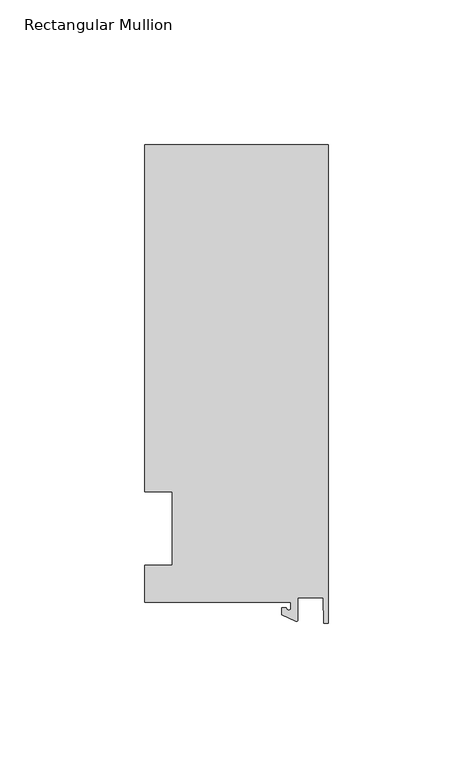
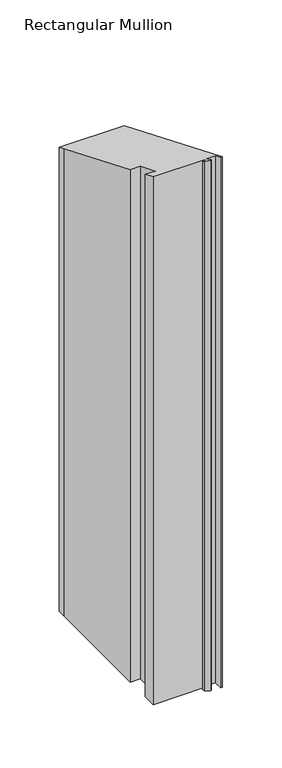
"""IFC4 building model written with IfcOpenShell, lengths in millimetres: member geometry, Rectangular Mullion."""

from ifc_helpers import new_model, si_unit, frame, origin, place, context, project, spatial, polyline, circle_curve, ellipse_curve, source, transform, mapped, element, save
from ifc_brep_helpers import plane_surface, cylinder_surface, revolved_surface, advanced_brep


def rectangular_mullion_41f67ada(model_context):
    return source(origin(), model_context, "Body", "AdvancedBrep", [
        advanced_brep(
        [(-12.8216721, -25.5984375, -533.4), (-63.5, -25.5984375, -533.4), (-63.5, -12.7, -533.4), (-53.975, -12.7, -533.4), (-53.975, 12.7, -533.4), (-63.5, 12.7, -533.4), (-63.5, 125.075512, -533.4), (-63.5, 132.822512, -533.4), (0.0, 132.822512, -533.4), (0.0, -32.810012, -533.4), (-1.5566453, -32.810012, -533.4), (-1.7144124, -23.9227662, -533.4), (-10.4340721, -23.9227662, -533.4), (-10.4340721, -31.6795354, -533.4), (-11.1567622, -32.1399398, -533.4), (-15.9966721, -29.8830527, -533.4), (-15.9966721, -27.5208534, -533.4), (-14.4091721, -27.5208534, -533.4), (-12.8216721, -27.5208534, -533.4), (-12.8216721, -27.5208534, 11.3995107), (-12.8216721, -25.5984375, 10.60322), (-14.4091721, -27.5208534, 11.3995107), (-15.9966721, -27.5208534, 11.3995107), (-15.9966721, -29.8830527, 12.3779657), (-11.1567622, -32.1399398, 13.312799), (-10.4340721, -31.6795354, 13.1220932), (-10.4340721, -23.9227662, 9.9091342), (-1.7144124, -23.9227662, 9.9091342), (-1.5566453, -32.810012, 13.5903519), (0.0, -32.810012, 13.5903519), (0.0, 132.822512, -55.0168859), (-63.5, 132.822512, -55.0168859), (-63.5, 125.075512, -51.8079734), (-63.5, 12.7, -5.2605122), (-53.975, 12.7, -5.2605122), (-53.975, -12.7, 5.2605122), (-63.5, -12.7, 5.2605122), (-63.5, -25.5984375, 10.60322)],
        [
            (0, 1),
            (1, 2),
            (2, 3),
            (3, 4),
            (4, 5),
            (5, 6),
            (6, 7),
            (7, 8),
            (8, 9),
            (9, 10),
            (10, 11),
            (11, 12),
            (12, 13),
            (13, 14, circle_curve(frame((-10.9420721, -31.6795354, -533.4), z_axis=(0.0, 0.0, -1.0), x_axis=(-1.0, 0.0, 0.0)), 0.508)),
            (14, 15),
            (15, 16),
            (16, 17),
            (17, 18, circle_curve(frame((-13.6154221, -27.5208534, -533.4), z_axis=(0.0, 0.0, 1.0), x_axis=(-1.0, 0.0, 0.0)), 0.79375)),
            (18, 0),
            (19, 20),
            (20, 0),
            (18, 19),
            (21, 19, ellipse_curve(frame((-13.6154221, -27.5208534, 11.3995107), z_axis=(0.0, 0.38268343236508895, 0.9238795325112871), x_axis=(0.0, 0.923879532511287, -0.3826834323650889)), 0.8591488, 0.79375)),
            (17, 21),
            (22, 21),
            (16, 22),
            (23, 22),
            (15, 23),
            (24, 23),
            (14, 24),
            (25, 24, ellipse_curve(frame((-10.9420721, -31.6795354, 13.1220932), z_axis=(0.0, -0.38268343236508895, -0.9238795325112871), x_axis=(0.0, -0.923879532511287, 0.3826834323650889)), 0.5498552, 0.508)),
            (13, 25),
            (26, 25),
            (12, 26),
            (27, 26),
            (11, 27),
            (28, 27),
            (10, 28),
            (29, 28),
            (9, 29),
            (30, 29),
            (8, 30),
            (31, 30),
            (7, 31),
            (32, 31),
            (6, 32),
            (33, 32),
            (5, 33),
            (34, 33),
            (4, 34),
            (35, 34),
            (3, 35),
            (36, 35),
            (2, 36),
            (37, 36),
            (1, 37),
            (20, 37),
        ],
        [
            plane_surface(frame((0.0, -147.2211591, -533.4), z_axis=(0.0, 0.0, -1.0), x_axis=(-1.0, 0.0, 0.0))),
            plane_surface(frame((-12.8216721, -25.5984375, 0.0), z_axis=(-1.0, 0.0, 0.0), x_axis=(0.0, 0.0, -1.0))),
            revolved_surface(polyline([(-14.4091721, -27.5208534, -533.4), (-14.4091721, -27.5208534, 11.728292711696348)]), (-13.6154221, -27.5208534, 0.0), (0.0, 0.0, -1.0)),
            plane_surface(frame((-14.4091721, -27.5208534, 0.0), z_axis=(0.0, 1.0, 0.0), x_axis=(0.0, 0.0, -1.0))),
            plane_surface(frame((-15.9966721, -27.5208534, 0.0), z_axis=(-1.0, 0.0, 0.0), x_axis=(0.0, 0.0, -1.0))),
            plane_surface(frame((-15.9966721, -29.8830527, 0.0), z_axis=(-0.4226182617406985, -0.9063077870366505, 0.0), x_axis=(0.0, 0.0, -1.0))),
            cylinder_surface(frame((-10.9420721, -31.6795354, 0.0), z_axis=(0.0, 0.0, 1.0), x_axis=(-1.0, 0.0, 0.0)), 0.508),
            plane_surface(frame((-10.4340721, -31.6795354, 0.0), z_axis=(1.0, 0.0, 0.0), x_axis=(0.0, 0.0, -1.0))),
            plane_surface(frame((-10.4340721, -23.9227662, 0.0), z_axis=(0.0, -1.0, 0.0), x_axis=(0.0, 0.0, -1.0))),
            plane_surface(frame((-1.7144124, -23.9227662, 0.0), z_axis=(-0.9998424690407919, -0.017749284560600327, 0.0), x_axis=(0.0, 0.0, -1.0))),
            plane_surface(frame((-1.5566453, -32.810012, 0.0), z_axis=(0.0, -1.0, 0.0), x_axis=(0.0, 0.0, -1.0))),
            plane_surface(frame((0.0, -32.810012, 0.0), z_axis=(1.0, 0.0, 0.0), x_axis=(0.0, 0.0, -1.0))),
            plane_surface(frame((0.0, 132.822512, 0.0), z_axis=(0.0, 1.0, 0.0), x_axis=(0.0, 0.0, -1.0))),
            plane_surface(frame((-63.5, 132.822512, 0.0), z_axis=(-1.0, 0.0, 0.0), x_axis=(0.0, 0.0, -1.0))),
            plane_surface(frame((-63.5, 125.075512, 0.0), z_axis=(-1.0, 0.0, 0.0), x_axis=(0.0, 0.0, -1.0))),
            plane_surface(frame((-63.5, 12.7, 0.0), z_axis=(0.0, -1.0, 0.0), x_axis=(0.0, 0.0, -1.0))),
            plane_surface(frame((-53.975, 12.7, 0.0), z_axis=(-1.0, 0.0, 0.0), x_axis=(0.0, 0.0, -1.0))),
            plane_surface(frame((-53.975, -12.7, 0.0), z_axis=(0.0, 1.0, 0.0), x_axis=(0.0, 0.0, -1.0))),
            plane_surface(frame((-63.5, -12.7, 0.0), z_axis=(-1.0, 0.0, 0.0), x_axis=(0.0, 0.0, -1.0))),
            plane_surface(frame((-63.5, -25.5984375, 0.0), z_axis=(0.0, -1.0, 0.0), x_axis=(0.0, 0.0, -1.0))),
            plane_surface(frame((-304.8, 0.0, 0.0), z_axis=(0.0, 0.38268343236508895, 0.9238795325112871), x_axis=(0.0, 0.9238795325112871, -0.38268343236508895))),
        ],
        [
            (0, [[1, 2, 3, 4, 5, 6, 7, 8, 9, 10, 11, 12, 13, 14, 15, 16, 17, 18, 19]]),
            (1, [[20, 21, -19, 22]]),
            (2, [[23, -22, -18, 24]]),
            (3, [[25, -24, -17, 26]]),
            (4, [[27, -26, -16, 28]]),
            (5, [[29, -28, -15, 30]]),
            (6, [[31, -30, -14, 32]]),
            (7, [[33, -32, -13, 34]]),
            (8, [[35, -34, -12, 36]]),
            (9, [[37, -36, -11, 38]]),
            (10, [[39, -38, -10, 40]]),
            (11, [[41, -40, -9, 42]]),
            (12, [[43, -42, -8, 44]]),
            (13, [[45, -44, -7, 46]]),
            (14, [[47, -46, -6, 48]]),
            (15, [[49, -48, -5, 50]]),
            (16, [[51, -50, -4, 52]]),
            (17, [[53, -52, -3, 54]]),
            (18, [[55, -54, -2, 56]]),
            (19, [[57, -56, -1, -21]]),
            (20, [[-20, -23, -25, -27, -29, -31, -33, -35, -37, -39, -41, -43, -45, -47, -49, -51, -53, -55, -57]]),
        ],
    ),
    ])


if __name__ == "__main__":
    model = new_model("IFC4")
    model_context = context("Model", 3, world=origin())
    ifc_project = project(units=[si_unit("LENGTHUNIT", "METRE", prefix="MILLI")], contexts=[model_context])
    site = spatial("IfcSite", under=ifc_project)
    building = spatial("IfcBuilding", under=site)
    placement = place(None, origin())
    rectangular_mullion_shape = rectangular_mullion_41f67ada(model_context)
    element("IfcMember", 1, ObjectType="Rectangular Mullion", at=placement, inside=building, context=model_context, shape_type="MappedRepresentation", body=[
        mapped(rectangular_mullion_shape, transform((0.0, 0.0, 0.0), x_axis=(1.0, 0.0, 0.0), y_axis=(0.0, 1.0, 0.0), z_axis=(0.0, 0.0, 1.0))),
    ])
    save(model, "model.ifc")
